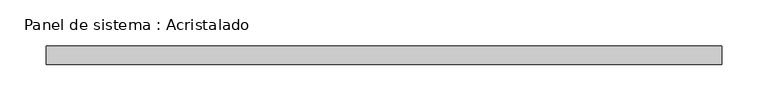
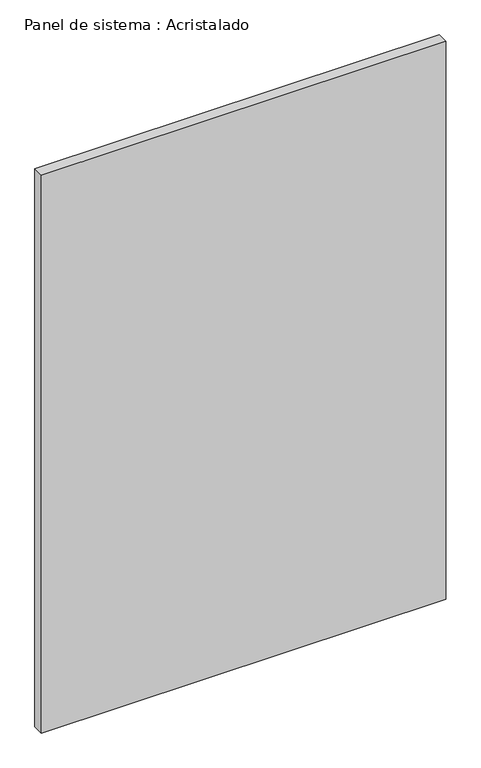
"""IFC4 building model written with IfcOpenShell, lengths in millimetres: plate geometry, Panel de sistema : Acristalado."""

from ifc_helpers import new_model, si_unit, origin, origin_with_axes, place, context, project, spatial, polyline, outline, extrude, source, transform, mapped, element, save


def panel_de_sistema_acristalado_12174720(model_context):
    return source(origin(), model_context, "Body", "SweptSolid", [
        extrude(outline(polyline([(365.0, -10.0), (-365.0, -10.0), (-365.0, 10.0), (365.0, 10.0), (365.0, -10.0)])), origin_with_axes(), (0.0, 0.0, 1.0), 1065.0),
    ])


if __name__ == "__main__":
    model = new_model("IFC4")
    model_context = context("Model", 3, world=origin())
    ifc_project = project(units=[si_unit("LENGTHUNIT", "METRE", prefix="MILLI")], contexts=[model_context])
    site = spatial("IfcSite", under=ifc_project)
    building = spatial("IfcBuilding", under=site)
    placement = place(None, origin())
    panel_de_sistema_acristalado_shape = panel_de_sistema_acristalado_12174720(model_context)
    element("IfcPlate", 1, ObjectType="Panel de sistema : Acristalado", at=placement, inside=building, context=model_context, shape_type="MappedRepresentation", body=[
        mapped(panel_de_sistema_acristalado_shape, transform((0.0, 0.0, 0.0), x_axis=(1.0, 0.0, 0.0), y_axis=(0.0, 1.0, 0.0), z_axis=(0.0, 0.0, 1.0))),
    ])
    save(model, "model.ifc")
